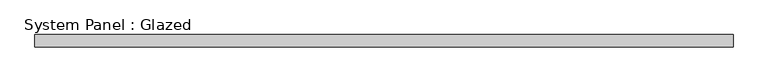
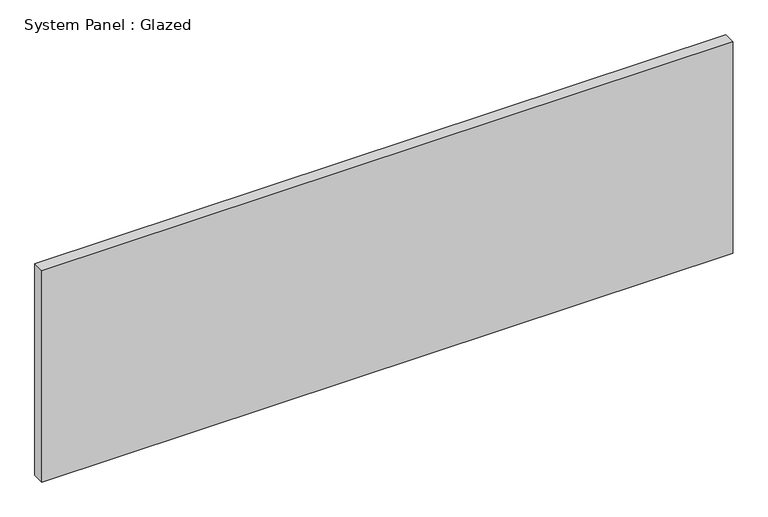
"""IFC4 building model written with IfcOpenShell, lengths in millimetres: plate geometry, System Panel : Glazed."""

from ifc_helpers import new_model, si_unit, origin, origin_with_axes, place, context, project, spatial, polyline, outline, extrude, source, transform, mapped, element, save


def system_panel_glazed_13163617(model_context):
    return source(origin(), model_context, "Body", "SweptSolid", [
        extrude(outline(polyline([(727.075, -12.7), (-727.075, -12.7), (-727.075, 12.7), (727.075, 12.7), (727.075, -12.7)])), origin_with_axes(), (0.0, 0.0, 1.0), 469.9),
    ])


if __name__ == "__main__":
    model = new_model("IFC4")
    model_context = context("Model", 3, world=origin())
    ifc_project = project(units=[si_unit("LENGTHUNIT", "METRE", prefix="MILLI")], contexts=[model_context])
    site = spatial("IfcSite", under=ifc_project)
    building = spatial("IfcBuilding", under=site)
    placement = place(None, origin())
    system_panel_glazed_shape = system_panel_glazed_13163617(model_context)
    element("IfcPlate", 1, ObjectType="System Panel : Glazed", at=placement, inside=building, context=model_context, shape_type="MappedRepresentation", body=[
        mapped(system_panel_glazed_shape, transform((0.0, 0.0, 0.0), x_axis=(1.0, 0.0, 0.0), y_axis=(0.0, 1.0, 0.0), z_axis=(0.0, 0.0, 1.0))),
    ])
    save(model, "model.ifc")
